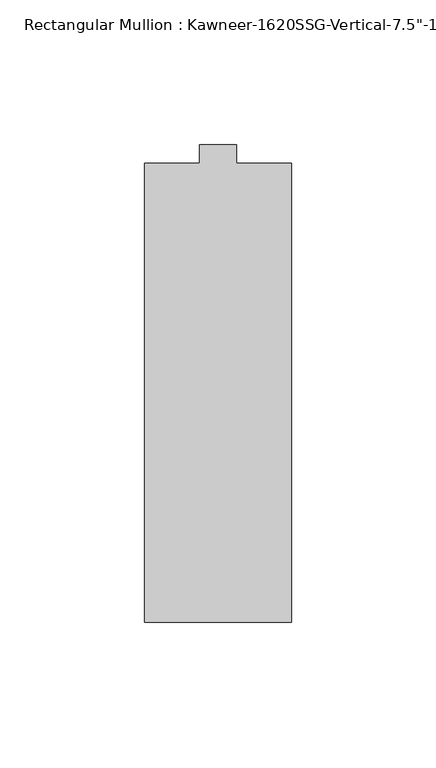
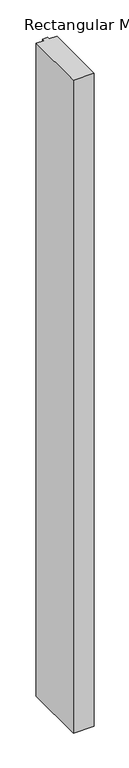
"""IFC4 building model written with IfcOpenShell, lengths in millimetres: member geometry."""

import ifcopenshell
import ifcopenshell.guid

model = None  # the IFC model being written
_history = None  # IfcOwnerHistory: only IFC2X3 demands one
_inside = {}  # id of a spatial element -> (the spatial element, [elements in it])
_under = {}  # id of a project, library or spatial element -> (it, [spatial elements below it])
_declared = {}  # id of a project -> (the project, [libraries it declares])
_typed = {}  # id of a type object -> (the type object, [elements of that type])
_made_of = {}  # id of a material, layer set ... -> (it, [elements and type objects made of it])


def new_model(schema):
    """Start an empty IFC model of exactly this schema.

    Asked for "IFC4X3", IfcOpenShell would pick the latest addendum, in which some entities
    have other attributes; the version numbers below select the first issue.
    IFC2X3 requires an IfcOwnerHistory on every rooted entity: one is made here for all.
    """
    global model, _history
    if schema == "IFC4X3":
        model = ifcopenshell.file(schema_version=(4, 3, 0, 0))
    else:
        model = ifcopenshell.file(schema=schema)
    _inside.clear()
    _under.clear()
    _declared.clear()
    _typed.clear()
    _made_of.clear()
    _history = None
    if model.schema == "IFC2X3":
        org = make("IfcOrganization", Name="unknown")
        user = make(
            "IfcPersonAndOrganization",
            ThePerson=make("IfcPerson", FamilyName="unknown"),
            TheOrganization=org,
        )
        app = make(
            "IfcApplication",
            ApplicationDeveloper=org,
            Version="unknown",
            ApplicationFullName="unknown",
            ApplicationIdentifier="unknown",
        )
        _history = make(
            "IfcOwnerHistory",
            OwningUser=user,
            OwningApplication=app,
            ChangeAction="ADDED",
            CreationDate=0,
        )
    return model


def make(cls, **values):
    """One entity of the class cls with the attributes given. An attribute that is None is left unset."""
    return model.create_entity(
        cls, **{name: value for name, value in values.items() if value is not None}
    )


def rooted(cls, **values):
    """An entity with a GlobalId (a new one), such as an element, a storey or a relation."""
    return make(cls, GlobalId=ifcopenshell.guid.new(), OwnerHistory=_history, **values)


def si_unit(unit_type, name, prefix=None):
    """IfcSIUnit, for example si_unit("LENGTHUNIT", "METRE", prefix="MILLI")."""
    return make("IfcSIUnit", UnitType=unit_type, Prefix=prefix, Name=name)


def assignment(units):
    """IfcUnitAssignment: the units of a project."""
    return None if units is None else make("IfcUnitAssignment", Units=units)


def point(xyz):
    """IfcCartesianPoint."""
    return None if xyz is None else make("IfcCartesianPoint", Coordinates=xyz)


def direction(xyz):
    """IfcDirection."""
    return None if xyz is None else make("IfcDirection", DirectionRatios=xyz)


def frame(location, z_axis=None, x_axis=None):
    """IfcAxis2Placement3D, a coordinate frame: its origin and axes. An axis left out is left unset."""
    return make(
        "IfcAxis2Placement3D",
        Location=point(location),
        Axis=direction(z_axis),
        RefDirection=direction(x_axis),
    )


def origin():
    """The frame at (0, 0, 0) with its axes left unset."""
    return frame((0.0, 0.0, 0.0))


def place(relative_to, where):
    """IfcLocalPlacement: puts the frame where relative to a parent placement (None: the world)."""
    return make(
        "IfcLocalPlacement", PlacementRelTo=relative_to, RelativePlacement=where
    )


def context(
    kind, dimensions, precision=None, world=None, true_north=None, identifier=None
):
    """IfcGeometricRepresentationContext, for example the 3D "Model" context."""
    return make(
        "IfcGeometricRepresentationContext",
        ContextIdentifier=identifier,
        ContextType=kind,
        CoordinateSpaceDimension=dimensions,
        Precision=precision,
        WorldCoordinateSystem=world,
        TrueNorth=true_north,
    )


def project(units=None, contexts=None):
    """IfcProject with its units and contexts."""
    return rooted(
        "IfcProject",
        Name="project",
        RepresentationContexts=contexts,
        UnitsInContext=assignment(units),
    )


def spatial(cls, under=None, at=None, **own):
    """A site, building, storey or space (cls), placed at a placement, below another one or the project."""
    s = rooted(cls, ObjectPlacement=at, **own)
    if under is not None:
        _under.setdefault(under.id(), (under, []))[1].append(s)
    return s


def polyline(points):
    """IfcPolyline through the points."""
    return make("IfcPolyline", Points=[point(p) for p in points])


def outline(outer, holes=None, kind="AREA"):
    """IfcArbitraryClosedProfileDef: a profile drawn as a closed curve; with holes, ...WithVoids."""
    if holes is None:
        return make("IfcArbitraryClosedProfileDef", ProfileType=kind, OuterCurve=outer)
    return make(
        "IfcArbitraryProfileDefWithVoids",
        ProfileType=kind,
        OuterCurve=outer,
        InnerCurves=holes,
    )


def extrude(swept, where, along, depth):
    """IfcExtrudedAreaSolid: the profile swept, set in the frame where, extruded along a direction by depth."""
    return make(
        "IfcExtrudedAreaSolid",
        SweptArea=swept,
        Position=where,
        ExtrudedDirection=direction(along),
        Depth=depth,
    )


def shape(context_of_items, identifier, shape_type, items):
    """IfcShapeRepresentation: the items that make up one representation, for example the "Body"."""
    return make(
        "IfcShapeRepresentation",
        ContextOfItems=context_of_items,
        RepresentationIdentifier=identifier,
        RepresentationType=shape_type,
        Items=items,
    )


def source(mapping_origin, context_of_items, identifier, shape_type, items):
    """IfcRepresentationMap: a shape defined once, which mapped items show again and again."""
    return make(
        "IfcRepresentationMap",
        MappingOrigin=mapping_origin,
        MappedRepresentation=shape(context_of_items, identifier, shape_type, items),
    )


def transform(
    local_origin,
    x_axis=None,
    y_axis=None,
    z_axis=None,
    scale=None,
    scale2=None,
    scale3=None,
    uniform=True,
):
    """IfcCartesianTransformationOperator3D, or its non-uniform kind. x_axis, y_axis, z_axis: its Axis1, 2, 3."""
    if uniform:
        return make(
            "IfcCartesianTransformationOperator3D",
            Axis1=direction(x_axis),
            Axis2=direction(y_axis),
            LocalOrigin=point(local_origin),
            Scale=scale,
            Axis3=direction(z_axis),
        )
    return make(
        "IfcCartesianTransformationOperator3DnonUniform",
        Axis1=direction(x_axis),
        Axis2=direction(y_axis),
        LocalOrigin=point(local_origin),
        Scale=scale,
        Axis3=direction(z_axis),
        Scale2=scale2,
        Scale3=scale3,
    )


def mapped(mapping_source, mapping_target):
    """IfcMappedItem: shows the shape of a source again, moved by a transform."""
    return make(
        "IfcMappedItem", MappingSource=mapping_source, MappingTarget=mapping_target
    )


def made_of(thing, what):
    """Note that an element or type object is made of a material, layer set ...; save() writes the relation."""
    if what is not None:
        _made_of.setdefault(what.id(), (what, []))[1].append(thing)
    return thing


def element(
    cls,
    number,
    at=None,
    inside=None,
    cuts=None,
    type_object=None,
    material=None,
    context=None,
    identifier="Body",
    shape_type=None,
    held_by="IfcProductDefinitionShape",
    body=None,
    shapes=None,
    **own,
):
    """One element of the class cls, such as IfcWall. Its Tag is "e" and its number.

    at: its placement. inside: the storey or other place that contains it. cuts: it is an
    opening in that element (IfcRelVoidsElement). A single representation is given by context,
    identifier, shape_type and body (its items); several are given by shapes. held_by: the class
    of the entity that holds the representations. save() writes the other relations.
    """
    e = rooted(cls, Tag="e%d" % number, ObjectPlacement=at, **own)
    if body is not None:
        shapes = [shape(context, identifier, shape_type, body)]
    if shapes is not None:
        e.Representation = make(held_by, Representations=shapes)
    if inside is not None:
        _inside.setdefault(inside.id(), (inside, []))[1].append(e)
    if cuts is not None:
        rooted(
            "IfcRelVoidsElement", RelatingBuildingElement=cuts, RelatedOpeningElement=e
        )
    if type_object is not None:
        _typed.setdefault(type_object.id(), (type_object, []))[1].append(e)
    return made_of(e, material)


def aggregate(whole, parts):
    """IfcRelAggregates: a whole, such as a stair, and the parts it consists of."""
    return rooted("IfcRelAggregates", RelatingObject=whole, RelatedObjects=parts)


def save(model, path):
    """Write the relations noted so far, then the file.

    IfcRelAggregates (storeys below a building ...), IfcRelContainedInSpatialStructure (elements
    in a storey), IfcRelDefinesByType, IfcRelAssociatesMaterial and IfcRelDeclares: one each for
    every whole, place, type object, material and project.
    """
    for whole, parts in _under.values():
        aggregate(whole, parts)
    for where, things in _inside.values():
        rooted(
            "IfcRelContainedInSpatialStructure",
            RelatedElements=things,
            RelatingStructure=where,
        )
    for kind, things in _typed.values():
        rooted("IfcRelDefinesByType", RelatedObjects=things, RelatingType=kind)
    for what, things in _made_of.values():
        rooted("IfcRelAssociatesMaterial", RelatedObjects=things, RelatingMaterial=what)
    for by, libraries in _declared.values():
        rooted("IfcRelDeclares", RelatingContext=by, RelatedDefinitions=libraries)
    model.write(path)


def member_dc3d1f25(model_context):
    return source(origin(), model_context, "Body", "SweptSolid", [
        extrude(outline(polyline([(25.4, -161.925), (-25.4, -161.925), (-25.4, -3.175), (-6.35, -3.175), (-6.35, 3.175), (6.35, 3.175), (6.35, -3.175), (25.4, -3.175), (25.4, -161.925)])), frame((0.0, 0.0, -1695.45), z_axis=(0.0, 0.0, 1.0), x_axis=(1.0, 0.0, 0.0)), (0.0, 0.0, 1.0), 1695.45),
    ])


if __name__ == "__main__":
    model = new_model("IFC4")
    model_context = context("Model", 3, world=origin())
    ifc_project = project(units=[si_unit("LENGTHUNIT", "METRE", prefix="MILLI")], contexts=[model_context])
    site = spatial("IfcSite", under=ifc_project)
    building = spatial("IfcBuilding", under=site)
    placement = place(None, origin())
    member_shape = member_dc3d1f25(model_context)
    element("IfcMember", 1, ObjectType="Rectangular Mullion : Kawneer-1620SSG-Vertical-7.5\"-1/4\"Infill-Standard", at=placement, inside=building, context=model_context, shape_type="MappedRepresentation", body=[
        mapped(member_shape, transform((0.0, 0.0, 0.0), x_axis=(1.0, 0.0, 0.0), y_axis=(0.0, 1.0, 0.0), z_axis=(0.0, 0.0, 1.0))),
    ])
    save(model, "model.ifc")
